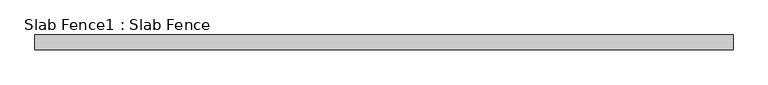
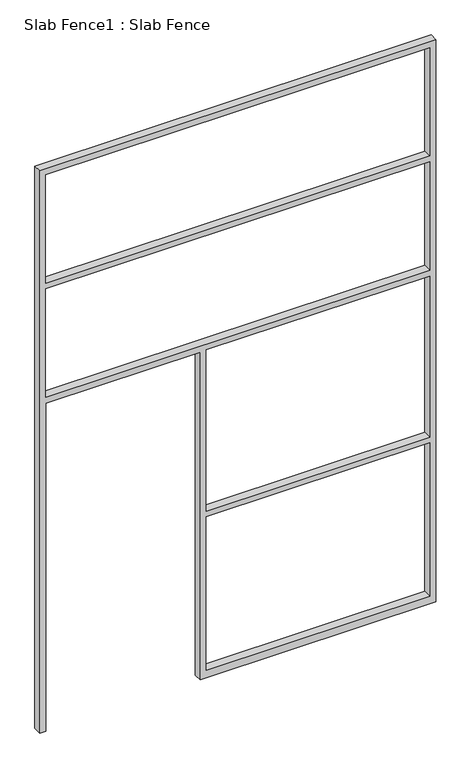
"""IFC4 building model written with IfcOpenShell, lengths in millimetres: proxy geometry, Slab Fence1 : Slab Fence."""

from ifc_helpers import new_model, si_unit, frame, origin, place, context, project, spatial, polyline, outline, extrude, source, transform, mapped, element, save


def slab_fence1_slab_fence_25e0d8cf(model_context):
    return source(origin(), model_context, "Body", "SweptSolid", [
        extrude(outline(polyline([(3657.6, -13515.9848205), (0.0, -13515.9848205), (0.0, -13477.8848205), (2133.6, -13477.8848205), (2133.6, -12528.5598205), (0.0, -12528.5598205), (0.0, -12490.4598205), (0.0, -11077.5848205), (3657.6, -11077.5848205), (3657.6, -13515.9848205)]), holes=[polyline([(2876.55, -13477.8848205), (2876.55, -11115.6848205), (2171.7, -11115.6848205), (2171.7, -13477.8848205), (2876.55, -13477.8848205)]), polyline([(3619.5, -11115.6848205), (2914.65, -11115.6848205), (2914.65, -13477.8848205), (3619.5, -13477.8848205), (3619.5, -11115.6848205)]), polyline([(1085.85, -12490.4598205), (2133.6, -12490.4598205), (2133.6, -11115.6848205), (1085.85, -11115.6848205), (1085.85, -12490.4598205)]), polyline([(1047.75, -11115.6848205), (50.8, -11115.6848205), (50.8, -12490.4598205), (1047.75, -12490.4598205), (1047.75, -11115.6848205)])]), frame((0.0, 21787.866085, 0.0), z_axis=(0.0, 1.0, 0.0), x_axis=(0.0, 0.0, 1.0)), (0.0, 0.0, 1.0), 52.001598),
    ])


if __name__ == "__main__":
    model = new_model("IFC4")
    model_context = context("Model", 3, world=origin())
    ifc_project = project(units=[si_unit("LENGTHUNIT", "METRE", prefix="MILLI")], contexts=[model_context])
    site = spatial("IfcSite", under=ifc_project)
    building = spatial("IfcBuilding", under=site)
    placement = place(None, origin())
    slab_fence1_slab_fence_shape = slab_fence1_slab_fence_25e0d8cf(model_context)
    element("IfcBuildingElementProxy", 1, Name="Slab Fence1 : Slab Fence", ObjectType="Slab Fence1 : Slab Fence", at=placement, inside=building, context=model_context, shape_type="MappedRepresentation", body=[
        mapped(slab_fence1_slab_fence_shape, transform((0.0, 0.0, 0.0), x_axis=(1.0, 0.0, 0.0), y_axis=(0.0, 1.0, 0.0), z_axis=(0.0, 0.0, 1.0))),
    ])
    save(model, "model.ifc")
